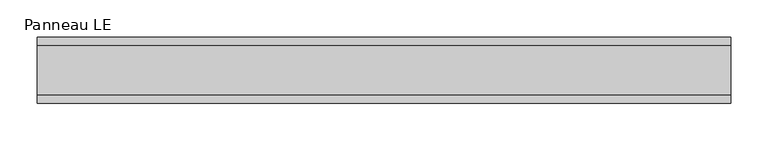
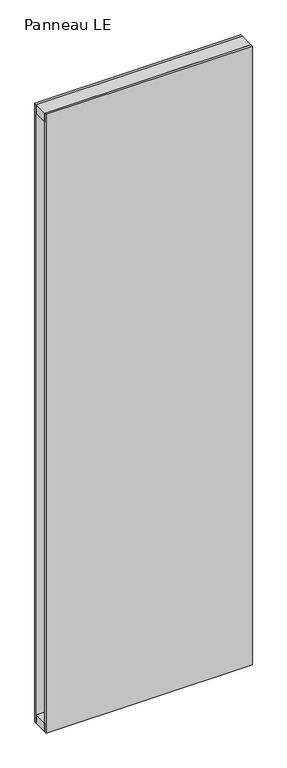
"""IFC4 building model written with IfcOpenShell, lengths in millimetres: plate geometry, Panneau LE."""

from ifc_helpers import new_model, si_unit, frame, origin, origin_with_axes, place, context, project, spatial, polyline, outline, extrude, source, transform, mapped, element, save


def panneau_le_3771c296(model_context):
    return source(origin(), model_context, "Body", "SweptSolid", [
        extrude(outline(polyline([(462.7520247, -33.0), (-462.7520247, -33.0), (-462.7520247, 33.0), (462.7520247, 33.0), (462.7520247, -33.0)])), frame((0.0, 0.0, 2893.0), z_axis=(0.0, 0.0, 1.0), x_axis=(1.0, 0.0, 0.0)), (0.0, 0.0, 1.0), 40.0),
        extrude(outline(polyline([(462.7520247, -33.0), (-462.7520247, -33.0), (-462.7520247, 33.0), (462.7520247, 33.0), (462.7520247, -33.0)])), origin_with_axes(), (0.0, 0.0, 1.0), 40.0),
        extrude(outline(polyline([(462.7520247, 33.0), (-462.7520247, 33.0), (-462.7520247, 43.8), (462.7520247, 43.8), (462.7520247, 33.0)])), origin_with_axes(), (0.0, 0.0, 1.0), 2933.0),
        extrude(outline(polyline([(-462.7520247, -43.8), (-462.7520247, -33.0), (462.7520247, -33.0), (462.7520247, -43.8), (-462.7520247, -43.8)])), origin_with_axes(), (0.0, 0.0, 1.0), 2933.0),
    ])


if __name__ == "__main__":
    model = new_model("IFC4")
    model_context = context("Model", 3, world=origin())
    ifc_project = project(units=[si_unit("LENGTHUNIT", "METRE", prefix="MILLI")], contexts=[model_context])
    site = spatial("IfcSite", under=ifc_project)
    building = spatial("IfcBuilding", under=site)
    placement = place(None, origin())
    panneau_le_shape = panneau_le_3771c296(model_context)
    element("IfcPlate", 1, ObjectType="Panneau LE", at=placement, inside=building, context=model_context, shape_type="MappedRepresentation", body=[
        mapped(panneau_le_shape, transform((0.0, 0.0, 0.0), x_axis=(1.0, 0.0, 0.0), y_axis=(0.0, 1.0, 0.0), z_axis=(0.0, 0.0, 1.0))),
    ])
    save(model, "model.ifc")
